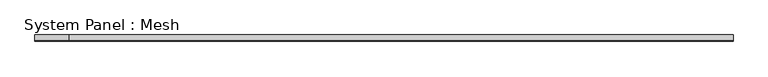
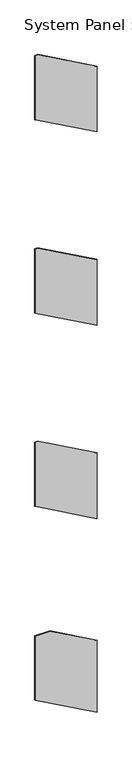
"""IFC4 building model written with IfcOpenShell, lengths in millimetres: plate geometry, System Panel : Mesh."""

from ifc_helpers import new_model, si_unit, frame, origin, place, context, project, spatial, polyline, outline, extrude, source, transform, mapped, element, save


def system_panel_mesh_2647bbae(model_context):
    return source(origin(), model_context, "Body", "SweptSolid", [
        extrude(outline(polyline([(13649.4180953, -654.796831), (12921.1150394, 654.796831), (14383.0475664, 654.796831), (15075.3150018, -589.9996016), (15075.3150018, -654.796831), (13649.4180953, -654.796831)])), frame((0.0, -5.0, 0.0), z_axis=(0.0, 1.0, 0.0), x_axis=(0.0, 0.0, 1.0)), (0.0, 0.0, 1.0), 10.0),
        extrude(outline(polyline([(731.1627145, -654.796831), (0.0, 654.796831), (1603.4205689, 654.796831), (2157.1919249, -337.0691977), (2157.1919249, -654.796831), (731.1627145, -654.796831)])), frame((0.0, -5.0, 0.0), z_axis=(0.0, 1.0, 0.0), x_axis=(0.0, 0.0, 1.0)), (0.0, 0.0, 1.0), 10.0),
        extrude(outline(polyline([(5044.3518347, -654.796831), (4317.7385771, 654.796831), (5778.7939003, 654.796831), (6470.1150018, -591.1888753), (6470.1150018, -654.796831), (5044.3518347, -654.796831)])), frame((0.0, -5.0, 0.0), z_axis=(0.0, 1.0, 0.0), x_axis=(0.0, 0.0, 1.0)), (0.0, 0.0, 1.0), 10.0),
        extrude(outline(polyline([(9344.3518347, -654.796831), (8617.7385771, 654.796831), (10078.7939003, 654.796831), (10770.1150018, -591.1888753), (10770.1150018, -654.796831), (9344.3518347, -654.796831)])), frame((0.0, -5.0, 0.0), z_axis=(0.0, 1.0, 0.0), x_axis=(0.0, 0.0, 1.0)), (0.0, 0.0, 1.0), 10.0),
    ])


if __name__ == "__main__":
    model = new_model("IFC4")
    model_context = context("Model", 3, world=origin())
    ifc_project = project(units=[si_unit("LENGTHUNIT", "METRE", prefix="MILLI")], contexts=[model_context])
    site = spatial("IfcSite", under=ifc_project)
    building = spatial("IfcBuilding", under=site)
    placement = place(None, origin())
    system_panel_mesh_shape = system_panel_mesh_2647bbae(model_context)
    element("IfcPlate", 1, ObjectType="System Panel : Mesh", at=placement, inside=building, context=model_context, shape_type="MappedRepresentation", body=[
        mapped(system_panel_mesh_shape, transform((0.0, 0.0, 0.0), x_axis=(1.0, 0.0, 0.0), y_axis=(0.0, 1.0, 0.0), z_axis=(0.0, 0.0, 1.0))),
    ])
    save(model, "model.ifc")
